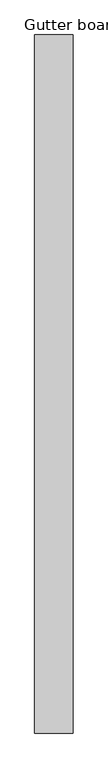
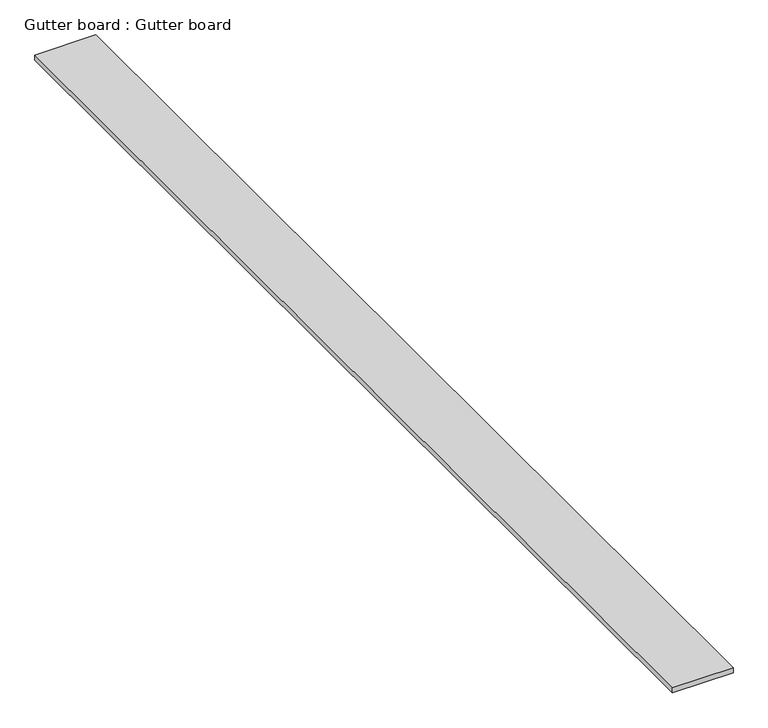
"""IFC4 building model written with IfcOpenShell, lengths in millimetres: proxy geometry, Gutter board : Gutter board."""

import ifcopenshell
import ifcopenshell.guid

model = None  # the IFC model being written
_history = None  # IfcOwnerHistory: only IFC2X3 demands one
_inside = {}  # id of a spatial element -> (the spatial element, [elements in it])
_under = {}  # id of a project, library or spatial element -> (it, [spatial elements below it])
_declared = {}  # id of a project -> (the project, [libraries it declares])
_typed = {}  # id of a type object -> (the type object, [elements of that type])
_made_of = {}  # id of a material, layer set ... -> (it, [elements and type objects made of it])


def new_model(schema):
    """Start an empty IFC model of exactly this schema.

    Asked for "IFC4X3", IfcOpenShell would pick the latest addendum, in which some entities
    have other attributes; the version numbers below select the first issue.
    IFC2X3 requires an IfcOwnerHistory on every rooted entity: one is made here for all.
    """
    global model, _history
    if schema == "IFC4X3":
        model = ifcopenshell.file(schema_version=(4, 3, 0, 0))
    else:
        model = ifcopenshell.file(schema=schema)
    _inside.clear()
    _under.clear()
    _declared.clear()
    _typed.clear()
    _made_of.clear()
    _history = None
    if model.schema == "IFC2X3":
        org = make("IfcOrganization", Name="unknown")
        user = make(
            "IfcPersonAndOrganization",
            ThePerson=make("IfcPerson", FamilyName="unknown"),
            TheOrganization=org,
        )
        app = make(
            "IfcApplication",
            ApplicationDeveloper=org,
            Version="unknown",
            ApplicationFullName="unknown",
            ApplicationIdentifier="unknown",
        )
        _history = make(
            "IfcOwnerHistory",
            OwningUser=user,
            OwningApplication=app,
            ChangeAction="ADDED",
            CreationDate=0,
        )
    return model


def make(cls, **values):
    """One entity of the class cls with the attributes given. An attribute that is None is left unset."""
    return model.create_entity(
        cls, **{name: value for name, value in values.items() if value is not None}
    )


def rooted(cls, **values):
    """An entity with a GlobalId (a new one), such as an element, a storey or a relation."""
    return make(cls, GlobalId=ifcopenshell.guid.new(), OwnerHistory=_history, **values)


def si_unit(unit_type, name, prefix=None):
    """IfcSIUnit, for example si_unit("LENGTHUNIT", "METRE", prefix="MILLI")."""
    return make("IfcSIUnit", UnitType=unit_type, Prefix=prefix, Name=name)


def assignment(units):
    """IfcUnitAssignment: the units of a project."""
    return None if units is None else make("IfcUnitAssignment", Units=units)


def point(xyz):
    """IfcCartesianPoint."""
    return None if xyz is None else make("IfcCartesianPoint", Coordinates=xyz)


def direction(xyz):
    """IfcDirection."""
    return None if xyz is None else make("IfcDirection", DirectionRatios=xyz)


def frame(location, z_axis=None, x_axis=None):
    """IfcAxis2Placement3D, a coordinate frame: its origin and axes. An axis left out is left unset."""
    return make(
        "IfcAxis2Placement3D",
        Location=point(location),
        Axis=direction(z_axis),
        RefDirection=direction(x_axis),
    )


def origin():
    """The frame at (0, 0, 0) with its axes left unset."""
    return frame((0.0, 0.0, 0.0))


def place(relative_to, where):
    """IfcLocalPlacement: puts the frame where relative to a parent placement (None: the world)."""
    return make(
        "IfcLocalPlacement", PlacementRelTo=relative_to, RelativePlacement=where
    )


def context(
    kind, dimensions, precision=None, world=None, true_north=None, identifier=None
):
    """IfcGeometricRepresentationContext, for example the 3D "Model" context."""
    return make(
        "IfcGeometricRepresentationContext",
        ContextIdentifier=identifier,
        ContextType=kind,
        CoordinateSpaceDimension=dimensions,
        Precision=precision,
        WorldCoordinateSystem=world,
        TrueNorth=true_north,
    )


def project(units=None, contexts=None):
    """IfcProject with its units and contexts."""
    return rooted(
        "IfcProject",
        Name="project",
        RepresentationContexts=contexts,
        UnitsInContext=assignment(units),
    )


def spatial(cls, under=None, at=None, **own):
    """A site, building, storey or space (cls), placed at a placement, below another one or the project."""
    s = rooted(cls, ObjectPlacement=at, **own)
    if under is not None:
        _under.setdefault(under.id(), (under, []))[1].append(s)
    return s


def polyline(points):
    """IfcPolyline through the points."""
    return make("IfcPolyline", Points=[point(p) for p in points])


def outline(outer, holes=None, kind="AREA"):
    """IfcArbitraryClosedProfileDef: a profile drawn as a closed curve; with holes, ...WithVoids."""
    if holes is None:
        return make("IfcArbitraryClosedProfileDef", ProfileType=kind, OuterCurve=outer)
    return make(
        "IfcArbitraryProfileDefWithVoids",
        ProfileType=kind,
        OuterCurve=outer,
        InnerCurves=holes,
    )


def extrude(swept, where, along, depth):
    """IfcExtrudedAreaSolid: the profile swept, set in the frame where, extruded along a direction by depth."""
    return make(
        "IfcExtrudedAreaSolid",
        SweptArea=swept,
        Position=where,
        ExtrudedDirection=direction(along),
        Depth=depth,
    )


def shape(context_of_items, identifier, shape_type, items):
    """IfcShapeRepresentation: the items that make up one representation, for example the "Body"."""
    return make(
        "IfcShapeRepresentation",
        ContextOfItems=context_of_items,
        RepresentationIdentifier=identifier,
        RepresentationType=shape_type,
        Items=items,
    )


def source(mapping_origin, context_of_items, identifier, shape_type, items):
    """IfcRepresentationMap: a shape defined once, which mapped items show again and again."""
    return make(
        "IfcRepresentationMap",
        MappingOrigin=mapping_origin,
        MappedRepresentation=shape(context_of_items, identifier, shape_type, items),
    )


def transform(
    local_origin,
    x_axis=None,
    y_axis=None,
    z_axis=None,
    scale=None,
    scale2=None,
    scale3=None,
    uniform=True,
):
    """IfcCartesianTransformationOperator3D, or its non-uniform kind. x_axis, y_axis, z_axis: its Axis1, 2, 3."""
    if uniform:
        return make(
            "IfcCartesianTransformationOperator3D",
            Axis1=direction(x_axis),
            Axis2=direction(y_axis),
            LocalOrigin=point(local_origin),
            Scale=scale,
            Axis3=direction(z_axis),
        )
    return make(
        "IfcCartesianTransformationOperator3DnonUniform",
        Axis1=direction(x_axis),
        Axis2=direction(y_axis),
        LocalOrigin=point(local_origin),
        Scale=scale,
        Axis3=direction(z_axis),
        Scale2=scale2,
        Scale3=scale3,
    )


def mapped(mapping_source, mapping_target):
    """IfcMappedItem: shows the shape of a source again, moved by a transform."""
    return make(
        "IfcMappedItem", MappingSource=mapping_source, MappingTarget=mapping_target
    )


def made_of(thing, what):
    """Note that an element or type object is made of a material, layer set ...; save() writes the relation."""
    if what is not None:
        _made_of.setdefault(what.id(), (what, []))[1].append(thing)
    return thing


def element(
    cls,
    number,
    at=None,
    inside=None,
    cuts=None,
    type_object=None,
    material=None,
    context=None,
    identifier="Body",
    shape_type=None,
    held_by="IfcProductDefinitionShape",
    body=None,
    shapes=None,
    **own,
):
    """One element of the class cls, such as IfcWall. Its Tag is "e" and its number.

    at: its placement. inside: the storey or other place that contains it. cuts: it is an
    opening in that element (IfcRelVoidsElement). A single representation is given by context,
    identifier, shape_type and body (its items); several are given by shapes. held_by: the class
    of the entity that holds the representations. save() writes the other relations.
    """
    e = rooted(cls, Tag="e%d" % number, ObjectPlacement=at, **own)
    if body is not None:
        shapes = [shape(context, identifier, shape_type, body)]
    if shapes is not None:
        e.Representation = make(held_by, Representations=shapes)
    if inside is not None:
        _inside.setdefault(inside.id(), (inside, []))[1].append(e)
    if cuts is not None:
        rooted(
            "IfcRelVoidsElement", RelatingBuildingElement=cuts, RelatedOpeningElement=e
        )
    if type_object is not None:
        _typed.setdefault(type_object.id(), (type_object, []))[1].append(e)
    return made_of(e, material)


def aggregate(whole, parts):
    """IfcRelAggregates: a whole, such as a stair, and the parts it consists of."""
    return rooted("IfcRelAggregates", RelatingObject=whole, RelatedObjects=parts)


def save(model, path):
    """Write the relations noted so far, then the file.

    IfcRelAggregates (storeys below a building ...), IfcRelContainedInSpatialStructure (elements
    in a storey), IfcRelDefinesByType, IfcRelAssociatesMaterial and IfcRelDeclares: one each for
    every whole, place, type object, material and project.
    """
    for whole, parts in _under.values():
        aggregate(whole, parts)
    for where, things in _inside.values():
        rooted(
            "IfcRelContainedInSpatialStructure",
            RelatedElements=things,
            RelatingStructure=where,
        )
    for kind, things in _typed.values():
        rooted("IfcRelDefinesByType", RelatedObjects=things, RelatingType=kind)
    for what, things in _made_of.values():
        rooted("IfcRelAssociatesMaterial", RelatedObjects=things, RelatingMaterial=what)
    for by, libraries in _declared.values():
        rooted("IfcRelDeclares", RelatingContext=by, RelatedDefinitions=libraries)
    model.write(path)


def gutter_board_gutter_board_42ca986e(model_context):
    return source(origin(), model_context, "Body", "SweptSolid", [
        extrude(outline(polyline([(-11578.9072818, -1336.8874768), (-11748.9072818, -1336.8874768), (-11748.9072818, 1753.1125232), (-11578.9072818, 1753.1125232), (-11578.9072818, -1336.8874768)])), frame((0.0, 0.0, 3784.2452806), z_axis=(0.0, 0.0, 1.0), x_axis=(1.0, 0.0, 0.0)), (0.0, 0.0, 1.0), 15.0),
    ])


if __name__ == "__main__":
    model = new_model("IFC4")
    model_context = context("Model", 3, world=origin())
    ifc_project = project(units=[si_unit("LENGTHUNIT", "METRE", prefix="MILLI")], contexts=[model_context])
    site = spatial("IfcSite", under=ifc_project)
    building = spatial("IfcBuilding", under=site)
    placement = place(None, origin())
    gutter_board_gutter_board_shape = gutter_board_gutter_board_42ca986e(model_context)
    element("IfcBuildingElementProxy", 1, Name="Gutter board : Gutter board", ObjectType="Gutter board : Gutter board", at=placement, inside=building, context=model_context, shape_type="MappedRepresentation", body=[
        mapped(gutter_board_gutter_board_shape, transform((0.0, 0.0, 0.0), x_axis=(1.0, 0.0, 0.0), y_axis=(0.0, 1.0, 0.0), z_axis=(0.0, 0.0, 1.0))),
    ])
    save(model, "model.ifc")
